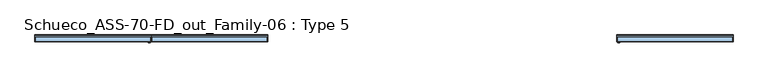
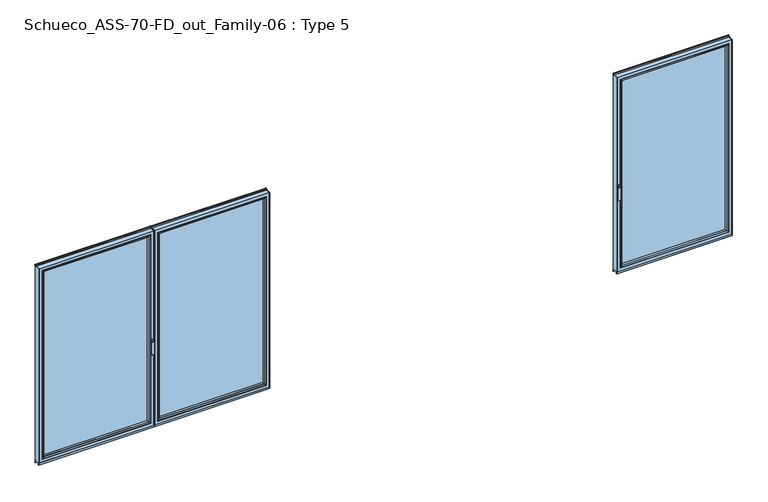
"""IFC4 building model written with IfcOpenShell, lengths in millimetres: window geometry, Schueco_ASS-70-FD_out_Family-06 : Type 5."""

from ifc_helpers import new_model, si_unit, point, frame, frame_2d, origin, place, context, project, spatial, polyline, circle_curve, ellipse_curve, trimmed, segment, composite_curve, outline, extrude, source, transform, mapped, element, save
from ifc_brep_helpers import plane_surface, cylinder_surface, extruded_surface, advanced_brep


def schueco_ass_70_fd_out_family_06_type_5_18db7b8b(model_context):
    return source(origin(), model_context, "Body", "SolidModel", [
        advanced_brep(
        [(-2579.8552975, -73.5, 1050.0), (-2555.8780359, -73.5, 1050.0), (-2555.8780359, -76.8965533, 1050.0), (-2579.8552975, -76.8965533, 1050.0), (-2579.8552975, -84.5, 1050.0), (-2579.8552975, -84.5, 918.6867153), (-2555.8780359, -84.5, 918.6867153), (-2555.8780359, -84.5, 1050.0), (-2555.8780359, -76.8965533, 918.6867153), (-2579.8552975, -76.8965533, 918.6867153)],
        [
            (0, 1, circle_curve(frame((-2567.8666667, -73.5, 1050.0), z_axis=(0.0, 1.0, 0.0), x_axis=(1.0, 0.0, 0.0)), 11.9886308)),
            (1, 0, circle_curve(frame((-2567.8666667, -73.5, 1050.0), z_axis=(0.0, 1.0, 0.0), x_axis=(1.0, 0.0, 0.0)), 11.9886308)),
            (1, 2),
            (2, 3, circle_curve(frame((-2567.8666667, -76.8965533, 1050.0), z_axis=(0.0, 1.0, 0.0), x_axis=(1.0, 0.0, 0.0)), 11.9886308)),
            (3, 0),
            (3, 2, circle_curve(frame((-2567.8666667, -76.8965533, 1050.0), z_axis=(0.0, 1.0, 0.0), x_axis=(1.0, 0.0, 0.0)), 11.9886308)),
            (4, 5),
            (5, 6, ellipse_curve(frame((-2567.8666667, -84.5, 918.6867153), z_axis=(0.0, -1.0, 0.0), x_axis=(-1.0, 0.0, 0.0)), 11.9886308, 7.9050795)),
            (6, 7),
            (7, 4, circle_curve(frame((-2567.8666667, -84.5, 1050.0), z_axis=(0.0, -1.0, 0.0), x_axis=(1.0, 0.0, 0.0)), 11.9886308)),
            (2, 8),
            (8, 9, ellipse_curve(frame((-2567.8666667, -76.8965533, 918.6867153), z_axis=(0.0, 1.0, 0.0), x_axis=(-1.0, 0.0, 0.0)), 11.9886308, 7.9050795)),
            (9, 3),
            (4, 3),
            (9, 5),
            (8, 6),
            (2, 7),
        ],
        [
            plane_surface(frame((-2555.8780359, -73.5, 1050.0), z_axis=(0.0, 1.0, 0.0), x_axis=(0.0, 0.0, -1.0))),
            cylinder_surface(frame((-2567.8666667, -73.5, 1050.0), z_axis=(0.0, -1.0, 0.0), x_axis=(1.0, 0.0, 0.0)), 11.9886308),
            plane_surface(frame((-2579.8552975, -84.5, 928.3382074), z_axis=(0.0, -1.0, 0.0), x_axis=(0.0, 0.0, -1.0))),
            plane_surface(frame((-2579.8552975, -76.8965533, 928.3382074), z_axis=(0.0, 1.0, 0.0), x_axis=(0.0, 0.0, 1.0))),
            plane_surface(frame((-2579.8552975, -84.5, 1050.0), z_axis=(-1.0, 0.0, 0.0), x_axis=(0.0, 1.0, 0.0))),
            extruded_surface(trimmed(ellipse_curve(frame((-2567.8666667, -69.2931066, 918.6867153), z_axis=(0.0, -1.0, 0.0), x_axis=(-1.0, 0.0, 0.0)), 11.9886308, 7.9050795), [point((-2579.8552975, -69.2931066, 918.6867153))], [point((-2555.8780359, -69.2931066, 918.6867153))], True, "CARTESIAN"), (0.0, -7.603446699999992, 0.0), 7.603446699999992),
            plane_surface(frame((-2555.8780359, -84.5, 918.6867153), z_axis=(1.0, 0.0, 0.0), x_axis=(0.0, 1.0, 0.0))),
            cylinder_surface(frame((-2567.8666667, -76.8965533, 1050.0), z_axis=(0.0, -1.0, 0.0), x_axis=(1.0, 0.0, 0.0)), 11.9886308),
        ],
        [
            (0, [[1, 2]]),
            (1, [[-2, 3, 4, 5]]),
            (1, [[-1, -5, 6, -3]]),
            (2, [[7, 8, 9, 10]]),
            (3, [[11, 12, 13, -4]]),
            (4, [[-7, 14, -13, 15]]),
            (5, [[-8, -15, -12, 16]]),
            (6, [[-9, -16, -11, 17]]),
            (7, [[-10, -17, -6, -14]]),
        ],
    ),
        extrude(outline(composite_curve([segment(polyline([(1068.75, -2581.8666667), (1031.25, -2581.8666667)]), True, "CONTINUOUS"), segment(trimmed(circle_curve(frame_2d((1031.25, -2567.8666667)), 14.0), [point((1031.25, -2581.8666667))], [point((1031.25, -2553.8666667))], False, "CARTESIAN"), True, "CONTINUOUS"), segment(polyline([(1031.25, -2553.8666667), (1068.75, -2553.8666667)]), True, "CONTINUOUS"), segment(trimmed(circle_curve(frame_2d((1068.75, -2567.8666667)), 14.0), [point((1068.75, -2553.8666667))], [point((1068.75, -2581.8666667))], False, "CARTESIAN"), True, "CONTINUOUS")], self_intersect=False)), frame((0.0, -73.5, 0.0), z_axis=(0.0, 1.0, 0.0), x_axis=(0.0, 0.0, 1.0)), (0.0, 0.0, 1.0), 3.5),
        extrude(outline(polyline([(-3818.8, 0.0), (-3812.8, 0.0), (-3812.8, -70.0), (-3818.8, -70.0), (-3818.8, 0.0)])), frame((0.0, 0.0, 75.0), z_axis=(0.0, 0.0, 1.0), x_axis=(1.0, 0.0, 0.0)), (0.0, 0.0, 1.0), 2262.0),
        extrude(outline(polyline([(-2545.8666667, 0.0), (-2545.8666667, -70.0), (-2551.8666667, -70.0), (-2551.8666667, 0.0), (-2545.8666667, 0.0)])), frame((0.0, 0.0, 75.0), z_axis=(0.0, 0.0, 1.0), x_axis=(1.0, 0.0, 0.0)), (0.0, 0.0, 1.0), 2262.0),
        extrude(outline(polyline([(-3780.8, -13.999939), (-2583.8666667, -13.999939), (-2583.8666667, -37.9928974), (-3780.8, -37.9928974), (-3780.8, -13.999939)])), frame((0.0, 0.0, 107.0), z_axis=(0.0, 0.0, 1.0), x_axis=(1.0, 0.0, 0.0)), (0.0, 0.0, 1.0), 2198.0),
        advanced_brep(
        [(-2605.8662394, -64.5552044, 2283.0004272), (-2605.8662394, -37.9928974, 2283.0004272), (-2605.8662394, -37.9928974, 128.9995728), (-2605.8662394, -64.5552044, 128.9995728), (-2583.8666667, -37.9928974, 2305.0), (-2583.8666667, -37.9928974, 107.0), (-3780.8, -37.9928974, 107.0), (-3780.8, -37.9928974, 2305.0), (-3758.8004272, -37.9928974, 2283.0004272), (-3758.8004272, -37.9928974, 128.9995728), (-3758.8004272, -64.5552044, 128.9995728), (-2605.156696, -65.8045072, 2283.7099707), (-2605.156696, -65.8045072, 128.2900293), (-3759.5099707, -65.8045072, 128.2900293), (-2589.8666056, -70.0, 2299.000061), (-2589.8666056, -70.0, 112.999939), (-3774.800061, -70.0, 112.999939), (-3780.8, -70.0, 2305.0), (-3780.8, -70.0, 107.0), (-2583.8666667, -70.0, 107.0), (-2583.8666667, -70.0, 2305.0), (-3774.800061, -70.0, 2299.000061), (-3758.8004272, -64.5552044, 2283.0004272), (-3759.5099707, -65.8045072, 2283.7099707)],
        [
            (0, 1),
            (1, 2),
            (2, 3),
            (3, 0),
            (4, 5),
            (5, 6),
            (6, 7),
            (7, 4),
            (8, 9),
            (9, 2),
            (1, 8),
            (9, 10),
            (10, 3),
            (11, 0, ellipse_curve(frame((-2604.4116355, -64.5552044, 2284.4550312), z_axis=(0.7071067811865475, 0.0, -0.7071067811865475), x_axis=(0.7071067811865474, 0.0, 0.7071067811865476)), 2.0571207, 1.454604)),
            (3, 12, ellipse_curve(frame((-2604.4116355, -64.5552044, 127.5449688), z_axis=(0.7071067811865475, 0.0, 0.7071067811865475), x_axis=(-0.7071067811865474, 0.0, 0.7071067811865476)), 2.0571207, 1.454604)),
            (12, 11),
            (10, 13, ellipse_curve(frame((-3760.2550312, -64.5552044, 127.5449688), z_axis=(0.7071067811865475, 0.0, -0.7071067811865475), x_axis=(0.7071067811865476, 0.0, 0.7071067811865474)), 2.0571207, 1.454604)),
            (13, 12),
            (14, 11, ellipse_curve(frame((-2589.9305412, -40.2735922, 2298.9361254), z_axis=(0.7071067811865475, 0.0, -0.7071067811865475), x_axis=(0.7071067811865474, 0.0, 0.7071067811865476)), 42.0395863, 29.7264765)),
            (12, 15, ellipse_curve(frame((-2589.9305412, -40.2735922, 113.0638746), z_axis=(0.7071067811865475, 0.0, 0.7071067811865475), x_axis=(-0.7071067811865474, 0.0, 0.7071067811865476)), 42.0395863, 29.7264765)),
            (15, 14),
            (13, 16, ellipse_curve(frame((-3774.7361254, -40.2735922, 113.0638746), z_axis=(0.7071067811865475, 0.0, -0.7071067811865475), x_axis=(0.7071067811865476, 0.0, 0.7071067811865474)), 42.0395863, 29.7264765)),
            (16, 15),
            (17, 18),
            (18, 19),
            (19, 20),
            (20, 17),
            (16, 21),
            (21, 14),
            (4, 20),
            (19, 5),
            (18, 6),
            (8, 22),
            (22, 10),
            (22, 23, ellipse_curve(frame((-3760.2550312, -64.5552044, 2284.4550312), z_axis=(-0.7071067811865475, 0.0, -0.7071067811865475), x_axis=(0.7071067811865474, 0.0, -0.7071067811865476)), 2.0571207, 1.454604)),
            (23, 13),
            (23, 21, ellipse_curve(frame((-3774.7361254, -40.2735922, 2298.9361254), z_axis=(-0.7071067811865475, 0.0, -0.7071067811865475), x_axis=(0.7071067811865474, 0.0, -0.7071067811865476)), 42.0395863, 29.7264765)),
            (17, 7),
            (0, 22),
            (11, 23),
        ],
        [
            plane_surface(frame((-2605.8662394, -37.9928974, 2283.0004272), z_axis=(-1.0, 0.0, 0.0), x_axis=(0.0, 0.0, -1.0))),
            plane_surface(frame((-3780.8, -37.9928974, 107.0), z_axis=(0.0, 1.0, 0.0), x_axis=(0.0, 0.0, 1.0))),
            plane_surface(frame((-2605.8662394, -37.9928974, 128.9995728), z_axis=(0.0, 0.0, 1.0), x_axis=(-1.0, 0.0, 0.0))),
            cylinder_surface(frame((-2604.4116355, -64.5552044, 2283.0004272), z_axis=(0.0, 0.0, 1.0), x_axis=(1.0, 0.0, 0.0)), 1.454604),
            cylinder_surface(frame((-2605.8662394, -64.5552044, 127.5449688), z_axis=(1.0, 0.0, 0.0), x_axis=(0.0, 0.0, -1.0)), 1.454604),
            cylinder_surface(frame((-2589.9305412, -40.2735922, 2283.0004272), z_axis=(0.0, 0.0, 1.0), x_axis=(1.0, 0.0, 0.0)), 29.7264765),
            cylinder_surface(frame((-2605.8662394, -40.2735922, 113.0638746), z_axis=(1.0, 0.0, 0.0), x_axis=(0.0, 0.0, -1.0)), 29.7264765),
            plane_surface(frame((-3774.800061, -70.0, 112.999939), z_axis=(0.0, -1.0, 0.0), x_axis=(0.0, 0.0, 1.0))),
            plane_surface(frame((-2583.8666667, -70.0, 2305.0), z_axis=(1.0, 0.0, 0.0), x_axis=(0.0, 0.0, -1.0))),
            plane_surface(frame((-2583.8666667, -70.0, 107.0), z_axis=(0.0, 0.0, -1.0), x_axis=(-1.0, 0.0, 0.0))),
            plane_surface(frame((-3758.8004272, -37.9928974, 128.9995728), z_axis=(1.0, 0.0, 0.0), x_axis=(0.0, 0.0, 1.0))),
            cylinder_surface(frame((-3760.2550312, -64.5552044, 128.9995728), z_axis=(0.0, 0.0, -1.0), x_axis=(-1.0, 0.0, 0.0)), 1.454604),
            cylinder_surface(frame((-3774.7361254, -40.2735922, 128.9995728), z_axis=(0.0, 0.0, -1.0), x_axis=(-1.0, 0.0, 0.0)), 29.7264765),
            plane_surface(frame((-3780.8, -70.0, 107.0), z_axis=(-1.0, 0.0, 0.0), x_axis=(0.0, 0.0, 1.0))),
            plane_surface(frame((-3758.8004272, -37.9928974, 2283.0004272), z_axis=(0.0, 0.0, -1.0), x_axis=(1.0, 0.0, 0.0))),
            cylinder_surface(frame((-3758.8004272, -64.5552044, 2284.4550312), z_axis=(-1.0, 0.0, 0.0), x_axis=(0.0, 0.0, 1.0)), 1.454604),
            cylinder_surface(frame((-3758.8004272, -40.2735922, 2298.9361254), z_axis=(-1.0, 0.0, 0.0), x_axis=(0.0, 0.0, 1.0)), 29.7264765),
            plane_surface(frame((-3780.8, -70.0, 2305.0), z_axis=(0.0, 0.0, 1.0), x_axis=(1.0, 0.0, 0.0))),
        ],
        [
            (0, [[1, 2, 3, 4]]),
            (1, [[5, 6, 7, 8], [9, 10, -2, 11]]),
            (2, [[-3, -10, 12, 13]]),
            (3, [[14, -4, 15, 16]]),
            (4, [[-15, -13, 17, 18]]),
            (5, [[19, -16, 20, 21]]),
            (6, [[-20, -18, 22, 23]]),
            (7, [[24, 25, 26, 27], [-21, -23, 28, 29]]),
            (8, [[30, -26, 31, -5]]),
            (9, [[-31, -25, 32, -6]]),
            (10, [[-12, -9, 33, 34]]),
            (11, [[-17, -34, 35, 36]]),
            (12, [[-22, -36, 37, -28]]),
            (13, [[-32, -24, 38, -7]]),
            (14, [[-33, -11, -1, 39]]),
            (15, [[-35, -39, -14, 40]]),
            (16, [[-37, -40, -19, -29]]),
            (17, [[-38, -27, -30, -8]]),
        ],
    ),
        advanced_brep(
        [(-3812.8, -70.0, 2337.0), (-3812.8, 0.0, 2337.0), (-3812.8, 0.0, 75.0), (-3812.8, -70.0, 75.0), (-2551.8666667, 0.0, 75.0), (-2551.8666667, -70.0, 75.0), (-2551.8666667, 0.0, 2337.0), (-2601.3658567, 0.0, 124.4991901), (-2601.3658567, 0.0, 2287.5008099), (-3763.3008099, 0.0, 2287.5008099), (-3763.3008099, 0.0, 124.4991901), (-2551.8666667, -70.0, 2337.0), (-3780.8, -70.0, 107.0), (-3780.8, -70.0, 2305.0), (-2583.8666667, -70.0, 2305.0), (-2583.8666667, -70.0, 107.0), (-3780.8, -13.999939, 2305.0), (-3780.8, -13.999939, 107.0), (-2583.8666667, -13.999939, 107.0), (-2583.8666667, -13.999939, 2305.0), (-3758.8004272, -13.999939, 128.9995728), (-3758.8004272, -13.999939, 2283.0004272), (-2605.8662394, -13.999939, 2283.0004272), (-2605.8662394, -13.999939, 128.9995728), (-3758.8004272, -4.5004435, 2283.0004272), (-3758.8004272, -4.5004435, 128.9995728), (-2605.8662394, -4.5004435, 128.9995728), (-2605.8662394, -4.5004435, 2283.0004272)],
        [
            (0, 1),
            (1, 2),
            (2, 3),
            (3, 0),
            (2, 4),
            (4, 5),
            (5, 3),
            (1, 6),
            (6, 4),
            (7, 8),
            (8, 9),
            (9, 10),
            (10, 7),
            (6, 11),
            (11, 5),
            (11, 0),
            (12, 13),
            (13, 14),
            (14, 15),
            (15, 12),
            (16, 13),
            (12, 17),
            (17, 16),
            (15, 18),
            (18, 17),
            (14, 19),
            (19, 18),
            (19, 16),
            (20, 21),
            (21, 22),
            (22, 23),
            (23, 20),
            (24, 21),
            (20, 25),
            (25, 24),
            (23, 26),
            (26, 25),
            (22, 27),
            (27, 26),
            (10, 25, ellipse_curve(frame((-3763.3008099, -4.5004435, 124.4991901), z_axis=(0.7071067811865475, 0.0, -0.7071067811865475), x_axis=(-0.7071067811865476, 0.0, -0.7071067811865474)), 6.3645023, 4.5003827)),
            (26, 7, ellipse_curve(frame((-2601.3658567, -4.5004435, 124.4991901), z_axis=(-0.7071067811865475, 0.0, -0.7071067811865475), x_axis=(-0.7071067811865476, 0.0, 0.7071067811865474)), 6.3645023, 4.5003827)),
            (9, 24, ellipse_curve(frame((-3763.3008099, -4.5004435, 2287.5008099), z_axis=(-0.7071067811865475, 0.0, -0.7071067811865475), x_axis=(-0.7071067811865474, 0.0, 0.7071067811865476)), 6.3645023, 4.5003827)),
            (27, 8, ellipse_curve(frame((-2601.3658567, -4.5004435, 2287.5008099), z_axis=(0.7071067811865475, 0.0, -0.7071067811865475), x_axis=(-0.7071067811865474, 0.0, -0.7071067811865476)), 6.3645023, 4.5003827)),
            (24, 27),
        ],
        [
            plane_surface(frame((-3812.8, 0.0, 2337.0), z_axis=(-1.0, 0.0, 0.0), x_axis=(0.0, 0.0, -1.0))),
            plane_surface(frame((-3812.8, 0.0, 75.0), z_axis=(0.0, 0.0, -1.0), x_axis=(1.0, 0.0, 0.0))),
            plane_surface(frame((-3763.3008099, 0.0, 2287.5008099), z_axis=(0.0, 1.0, 0.0), x_axis=(0.0, 0.0, -1.0))),
            plane_surface(frame((-2551.8666667, 0.0, 75.0), z_axis=(1.0, 0.0, 0.0), x_axis=(0.0, 0.0, 1.0))),
            plane_surface(frame((-3812.8, -70.0, 2337.0), z_axis=(0.0, -1.0, 0.0), x_axis=(0.0, 0.0, -1.0))),
            plane_surface(frame((-3780.8, -70.0, 2305.0), z_axis=(1.0, 0.0, 0.0), x_axis=(0.0, 0.0, -1.0))),
            plane_surface(frame((-3780.8, -70.0, 107.0), z_axis=(0.0, 0.0, 1.0), x_axis=(1.0, 0.0, 0.0))),
            plane_surface(frame((-2583.8666667, -70.0, 107.0), z_axis=(-1.0, 0.0, 0.0), x_axis=(0.0, 0.0, 1.0))),
            plane_surface(frame((-3780.8, -13.999939, 2305.0), z_axis=(0.0, -1.0, 0.0), x_axis=(0.0, 0.0, -1.0))),
            plane_surface(frame((-3758.8004272, -13.999939, 2283.0004272), z_axis=(1.0, 0.0, 0.0), x_axis=(0.0, 0.0, -1.0))),
            plane_surface(frame((-3758.8004272, -13.999939, 128.9995728), z_axis=(0.0, 0.0, 1.0), x_axis=(1.0, 0.0, 0.0))),
            plane_surface(frame((-2605.8662394, -13.999939, 128.9995728), z_axis=(-1.0, 0.0, 0.0), x_axis=(0.0, 0.0, 1.0))),
            cylinder_surface(frame((-3818.8, -4.5004435, 124.4991901), z_axis=(-1.0, 0.0, 0.0), x_axis=(0.0, -1.0, 0.0)), 4.5003827),
            cylinder_surface(frame((-3763.3008099, -4.5004435, 2343.0), z_axis=(0.0, 0.0, 1.0), x_axis=(0.0, -1.0, 0.0)), 4.5003827),
            cylinder_surface(frame((-2601.3658567, -4.5004435, 69.0), z_axis=(0.0, 0.0, -1.0), x_axis=(0.0, -1.0, 0.0)), 4.5003827),
            plane_surface(frame((-2551.8666667, 0.0, 2337.0), z_axis=(0.0, 0.0, 1.0), x_axis=(-1.0, 0.0, 0.0))),
            plane_surface(frame((-2583.8666667, -70.0, 2305.0), z_axis=(0.0, 0.0, -1.0), x_axis=(-1.0, 0.0, 0.0))),
            plane_surface(frame((-2605.8662394, -13.999939, 2283.0004272), z_axis=(0.0, 0.0, -1.0), x_axis=(-1.0, 0.0, 0.0))),
            cylinder_surface(frame((-2545.8666667, -4.5004435, 2287.5008099), z_axis=(1.0, 0.0, 0.0), x_axis=(0.0, -1.0, 0.0)), 4.5003827),
        ],
        [
            (0, [[1, 2, 3, 4]]),
            (1, [[-3, 5, 6, 7]]),
            (2, [[-2, 8, 9, -5], [10, 11, 12, 13]]),
            (3, [[-6, -9, 14, 15]]),
            (4, [[-15, 16, -4, -7], [17, 18, 19, 20]]),
            (5, [[21, -17, 22, 23]]),
            (6, [[-22, -20, 24, 25]]),
            (7, [[-24, -19, 26, 27]]),
            (8, [[-27, 28, -23, -25], [29, 30, 31, 32]]),
            (9, [[33, -29, 34, 35]]),
            (10, [[-34, -32, 36, 37]]),
            (11, [[-36, -31, 38, 39]]),
            (12, [[40, -37, 41, -13]]),
            (13, [[42, -35, -40, -12]]),
            (14, [[-41, -39, 43, -10]]),
            (15, [[-14, -8, -1, -16]]),
            (16, [[-26, -18, -21, -28]]),
            (17, [[-38, -30, -33, 44]]),
            (18, [[-43, -44, -42, -11]]),
        ],
    ),
        extrude(outline(polyline([(-3818.8, -70.0), (-3818.8, -62.3999924), (-2545.8666667, -62.3999924), (-2545.8666667, -70.0), (-3818.8, -70.0)])), frame((0.0, 0.0, 52.9995117), z_axis=(0.0, 0.0, 1.0), x_axis=(1.0, 0.0, 0.0)), (0.0, 0.0, 1.0), 22.0004883),
        extrude(outline(composite_curve([segment(polyline([(0.0, 45.0), (-7.7242502, 45.0), (-7.7242502, 75.0), (0.0, 75.0), (0.0, 52.4754501), (1.8566157, 46.0621453)]), True, "CONTINUOUS"), segment(trimmed(circle_curve(frame_2d((-0.0645022, 45.5059925)), 2.0), [point((1.8566157, 46.0621453))], [point((1.8670103, 44.9870904))], False, "CARTESIAN"), True, "CONTINUOUS"), segment(polyline([(1.8670103, 44.9870904), (0.8737, 41.2896854), (0.0, 41.2896854), (0.0, 45.0)]), True, "CONTINUOUS")], self_intersect=False)), frame((-3818.8, 0.0, 0.0), z_axis=(1.0, 0.0, 0.0), x_axis=(0.0, 1.0, 0.0)), (0.0, 0.0, 1.0), 1272.9333333),
        extrude(outline(composite_curve([segment(polyline([(-17.955674, 2339.1400778), (-1.3636404, 2339.1400778), (0.0, 2342.963961), (0.0, 2348.6420698), (0.8937897, 2348.6420698), (1.8738669, 2344.9939222)]), True, "CONTINUOUS"), segment(trimmed(circle_curve(frame_2d((-0.0576456, 2344.4750201)), 2.0), [point((1.8738669, 2344.9939222))], [point((1.8735116, 2343.9547971))], False, "CARTESIAN"), True, "CONTINUOUS"), segment(polyline([(1.8735116, 2343.9547971), (0.0, 2337.0), (-17.955674, 2337.0), (-17.955674, 2339.1400778)]), True, "CONTINUOUS")], self_intersect=False)), frame((-3818.8, 0.0, 0.0), z_axis=(1.0, 0.0, 0.0), x_axis=(0.0, 1.0, 0.0)), (0.0, 0.0, 1.0), 1272.9333333),
        extrude(outline(polyline([(-1272.9333333, 0.0), (-1272.9333333, -70.0), (-1278.9333333, -70.0), (-1278.9333333, 0.0), (-1272.9333333, 0.0)])), frame((0.0, 0.0, 75.0), z_axis=(0.0, 0.0, 1.0), x_axis=(1.0, 0.0, 0.0)), (0.0, 0.0, 1.0), 2262.0),
        extrude(outline(polyline([(-2545.8666667, 0.0), (-2539.8666667, 0.0), (-2539.8666667, -70.0), (-2545.8666667, -70.0), (-2545.8666667, 0.0)])), frame((0.0, 0.0, 75.0), z_axis=(0.0, 0.0, 1.0), x_axis=(1.0, 0.0, 0.0)), (0.0, 0.0, 1.0), 2262.0),
        extrude(outline(polyline([(-1310.9333333, -13.999939), (-1310.9333333, -37.9928974), (-2507.8666667, -37.9928974), (-2507.8666667, -13.999939), (-1310.9333333, -13.999939)])), frame((0.0, 0.0, 107.0), z_axis=(0.0, 0.0, 1.0), x_axis=(1.0, 0.0, 0.0)), (0.0, 0.0, 1.0), 2198.0),
        advanced_brep(
        [(-2485.8670939, -64.5552044, 2283.0004272), (-2485.8670939, -64.5552044, 128.9995728), (-2485.8670939, -37.9928974, 128.9995728), (-2485.8670939, -37.9928974, 2283.0004272), (-2507.8666667, -37.9928974, 2305.0), (-1310.9333333, -37.9928974, 2305.0), (-1310.9333333, -37.9928974, 107.0), (-2507.8666667, -37.9928974, 107.0), (-1332.9329061, -37.9928974, 2283.0004272), (-1332.9329061, -37.9928974, 128.9995728), (-1332.9329061, -64.5552044, 128.9995728), (-2486.5766373, -65.8045072, 2283.7099707), (-2486.5766373, -65.8045072, 128.2900293), (-1332.2233627, -65.8045072, 128.2900293), (-2501.8667277, -70.0, 2299.000061), (-2501.8667277, -70.0, 112.999939), (-1316.9332723, -70.0, 112.999939), (-1310.9333333, -70.0, 2305.0), (-2507.8666667, -70.0, 2305.0), (-2507.8666667, -70.0, 107.0), (-1310.9333333, -70.0, 107.0), (-1316.9332723, -70.0, 2299.000061), (-1332.9329061, -64.5552044, 2283.0004272), (-1332.2233627, -65.8045072, 2283.7099707)],
        [
            (0, 1),
            (1, 2),
            (2, 3),
            (3, 0),
            (4, 5),
            (5, 6),
            (6, 7),
            (7, 4),
            (8, 3),
            (2, 9),
            (9, 8),
            (1, 10),
            (10, 9),
            (11, 12),
            (12, 1, ellipse_curve(frame((-2487.3216979, -64.5552044, 127.5449688), z_axis=(-0.7071067811865475, 0.0, 0.7071067811865475), x_axis=(0.7071067811865474, 0.0, 0.7071067811865476)), 2.0571207, 1.454604)),
            (0, 11, ellipse_curve(frame((-2487.3216979, -64.5552044, 2284.4550312), z_axis=(-0.7071067811865475, 0.0, -0.7071067811865475), x_axis=(-0.7071067811865474, 0.0, 0.7071067811865476)), 2.0571207, 1.454604)),
            (12, 13),
            (13, 10, ellipse_curve(frame((-1331.4783021, -64.5552044, 127.5449688), z_axis=(-0.7071067811865475, 0.0, -0.7071067811865475), x_axis=(-0.7071067811865476, 0.0, 0.7071067811865474)), 2.0571207, 1.454604)),
            (14, 15),
            (15, 12, ellipse_curve(frame((-2501.8027921, -40.2735922, 113.0638746), z_axis=(-0.7071067811865475, 0.0, 0.7071067811865475), x_axis=(0.7071067811865474, 0.0, 0.7071067811865476)), 42.0395863, 29.7264765)),
            (11, 14, ellipse_curve(frame((-2501.8027921, -40.2735922, 2298.9361254), z_axis=(-0.7071067811865475, 0.0, -0.7071067811865475), x_axis=(-0.7071067811865474, 0.0, 0.7071067811865476)), 42.0395863, 29.7264765)),
            (15, 16),
            (16, 13, ellipse_curve(frame((-1316.9972079, -40.2735922, 113.0638746), z_axis=(-0.7071067811865475, 0.0, -0.7071067811865475), x_axis=(-0.7071067811865476, 0.0, 0.7071067811865474)), 42.0395863, 29.7264765)),
            (17, 18),
            (18, 19),
            (19, 20),
            (20, 17),
            (14, 21),
            (21, 16),
            (7, 19),
            (18, 4),
            (6, 20),
            (10, 22),
            (22, 8),
            (13, 23),
            (23, 22, ellipse_curve(frame((-1331.4783021, -64.5552044, 2284.4550312), z_axis=(0.7071067811865475, 0.0, -0.7071067811865475), x_axis=(-0.7071067811865474, 0.0, -0.7071067811865476)), 2.0571207, 1.454604)),
            (21, 23, ellipse_curve(frame((-1316.9972079, -40.2735922, 2298.9361254), z_axis=(0.7071067811865475, 0.0, -0.7071067811865475), x_axis=(-0.7071067811865474, 0.0, -0.7071067811865476)), 42.0395863, 29.7264765)),
            (5, 17),
            (22, 0),
            (23, 11),
        ],
        [
            plane_surface(frame((-2485.8670939, -37.9928974, 2283.0004272), z_axis=(1.0, 0.0, 0.0), x_axis=(0.0, 0.0, -1.0))),
            plane_surface(frame((-1310.9333333, -37.9928974, 107.0), z_axis=(0.0, 1.0, 0.0), x_axis=(0.0, 0.0, 1.0))),
            plane_surface(frame((-2485.8670939, -37.9928974, 128.9995728), z_axis=(0.0, 0.0, 1.0), x_axis=(1.0, 0.0, 0.0))),
            cylinder_surface(frame((-2487.3216979, -64.5552044, 2283.0004272), z_axis=(0.0, 0.0, 1.0), x_axis=(-1.0, 0.0, 0.0)), 1.454604),
            cylinder_surface(frame((-2485.8670939, -64.5552044, 127.5449688), z_axis=(-1.0, 0.0, 0.0), x_axis=(0.0, 0.0, -1.0)), 1.454604),
            cylinder_surface(frame((-2501.8027921, -40.2735922, 2283.0004272), z_axis=(0.0, 0.0, 1.0), x_axis=(-1.0, 0.0, 0.0)), 29.7264765),
            cylinder_surface(frame((-2485.8670939, -40.2735922, 113.0638746), z_axis=(-1.0, 0.0, 0.0), x_axis=(0.0, 0.0, -1.0)), 29.7264765),
            plane_surface(frame((-1316.9332723, -70.0, 112.999939), z_axis=(0.0, -1.0, 0.0), x_axis=(0.0, 0.0, 1.0))),
            plane_surface(frame((-2507.8666667, -70.0, 2305.0), z_axis=(-1.0, 0.0, 0.0), x_axis=(0.0, 0.0, -1.0))),
            plane_surface(frame((-2507.8666667, -70.0, 107.0), z_axis=(0.0, 0.0, -1.0), x_axis=(1.0, 0.0, 0.0))),
            plane_surface(frame((-1332.9329061, -37.9928974, 128.9995728), z_axis=(-1.0, 0.0, 0.0), x_axis=(0.0, 0.0, 1.0))),
            cylinder_surface(frame((-1331.4783021, -64.5552044, 128.9995728), z_axis=(0.0, 0.0, -1.0), x_axis=(1.0, 0.0, 0.0)), 1.454604),
            cylinder_surface(frame((-1316.9972079, -40.2735922, 128.9995728), z_axis=(0.0, 0.0, -1.0), x_axis=(1.0, 0.0, 0.0)), 29.7264765),
            plane_surface(frame((-1310.9333333, -70.0, 107.0), z_axis=(1.0, 0.0, 0.0), x_axis=(0.0, 0.0, 1.0))),
            plane_surface(frame((-1332.9329061, -37.9928974, 2283.0004272), z_axis=(0.0, 0.0, -1.0), x_axis=(-1.0, 0.0, 0.0))),
            cylinder_surface(frame((-1332.9329061, -64.5552044, 2284.4550312), z_axis=(1.0, 0.0, 0.0), x_axis=(0.0, 0.0, 1.0)), 1.454604),
            cylinder_surface(frame((-1332.9329061, -40.2735922, 2298.9361254), z_axis=(1.0, 0.0, 0.0), x_axis=(0.0, 0.0, 1.0)), 29.7264765),
            plane_surface(frame((-1310.9333333, -70.0, 2305.0), z_axis=(0.0, 0.0, 1.0), x_axis=(-1.0, 0.0, 0.0))),
        ],
        [
            (0, [[1, 2, 3, 4]]),
            (1, [[5, 6, 7, 8], [9, -3, 10, 11]]),
            (2, [[12, 13, -10, -2]]),
            (3, [[14, 15, -1, 16]]),
            (4, [[17, 18, -12, -15]]),
            (5, [[19, 20, -14, 21]]),
            (6, [[22, 23, -17, -20]]),
            (7, [[24, 25, 26, 27], [28, 29, -22, -19]]),
            (8, [[-8, 30, -25, 31]]),
            (9, [[-7, 32, -26, -30]]),
            (10, [[33, 34, -11, -13]]),
            (11, [[35, 36, -33, -18]]),
            (12, [[-29, 37, -35, -23]]),
            (13, [[-6, 38, -27, -32]]),
            (14, [[39, -4, -9, -34]]),
            (15, [[40, -16, -39, -36]]),
            (16, [[-28, -21, -40, -37]]),
            (17, [[-5, -31, -24, -38]]),
        ],
    ),
        advanced_brep(
        [(-1278.9333333, -70.0, 2337.0), (-1278.9333333, -70.0, 75.0), (-1278.9333333, 0.0, 75.0), (-1278.9333333, 0.0, 2337.0), (-2539.8666667, -70.0, 75.0), (-2539.8666667, 0.0, 75.0), (-2539.8666667, 0.0, 2337.0), (-2490.3674766, 0.0, 124.4991901), (-1328.4325234, 0.0, 124.4991901), (-1328.4325234, 0.0, 2287.5008099), (-2490.3674766, 0.0, 2287.5008099), (-2539.8666667, -70.0, 2337.0), (-1310.9333333, -70.0, 107.0), (-2507.8666667, -70.0, 107.0), (-2507.8666667, -70.0, 2305.0), (-1310.9333333, -70.0, 2305.0), (-1310.9333333, -13.999939, 2305.0), (-1310.9333333, -13.999939, 107.0), (-2507.8666667, -13.999939, 107.0), (-2507.8666667, -13.999939, 2305.0), (-1332.9329061, -13.999939, 128.9995728), (-2485.8670939, -13.999939, 128.9995728), (-2485.8670939, -13.999939, 2283.0004272), (-1332.9329061, -13.999939, 2283.0004272), (-1332.9329061, -4.5004435, 2283.0004272), (-1332.9329061, -4.5004435, 128.9995728), (-2485.8670939, -4.5004435, 128.9995728), (-2485.8670939, -4.5004435, 2283.0004272)],
        [
            (0, 1),
            (1, 2),
            (2, 3),
            (3, 0),
            (1, 4),
            (4, 5),
            (5, 2),
            (5, 6),
            (6, 3),
            (7, 8),
            (8, 9),
            (9, 10),
            (10, 7),
            (4, 11),
            (11, 6),
            (0, 11),
            (12, 13),
            (13, 14),
            (14, 15),
            (15, 12),
            (16, 17),
            (17, 12),
            (15, 16),
            (17, 18),
            (18, 13),
            (18, 19),
            (19, 14),
            (16, 19),
            (20, 21),
            (21, 22),
            (22, 23),
            (23, 20),
            (24, 25),
            (25, 20),
            (23, 24),
            (25, 26),
            (26, 21),
            (26, 27),
            (27, 22),
            (7, 26, ellipse_curve(frame((-2490.3674766, -4.5004435, 124.4991901), z_axis=(0.7071067811865475, 0.0, -0.7071067811865475), x_axis=(0.7071067811865476, 0.0, 0.7071067811865474)), 6.3645023, 4.5003827)),
            (25, 8, ellipse_curve(frame((-1328.4325234, -4.5004435, 124.4991901), z_axis=(-0.7071067811865475, 0.0, -0.7071067811865475), x_axis=(0.7071067811865476, 0.0, -0.7071067811865474)), 6.3645023, 4.5003827)),
            (24, 9, ellipse_curve(frame((-1328.4325234, -4.5004435, 2287.5008099), z_axis=(0.7071067811865475, 0.0, -0.7071067811865475), x_axis=(0.7071067811865474, 0.0, 0.7071067811865476)), 6.3645023, 4.5003827)),
            (10, 27, ellipse_curve(frame((-2490.3674766, -4.5004435, 2287.5008099), z_axis=(-0.7071067811865475, 0.0, -0.7071067811865475), x_axis=(0.7071067811865474, 0.0, -0.7071067811865476)), 6.3645023, 4.5003827)),
            (27, 24),
        ],
        [
            plane_surface(frame((-1278.9333333, 0.0, 2337.0), z_axis=(1.0, 0.0, 0.0), x_axis=(0.0, 0.0, -1.0))),
            plane_surface(frame((-1278.9333333, 0.0, 75.0), z_axis=(0.0, 0.0, -1.0), x_axis=(-1.0, 0.0, 0.0))),
            plane_surface(frame((-1328.4325234, 0.0, 2287.5008099), z_axis=(0.0, 1.0, 0.0), x_axis=(0.0, 0.0, -1.0))),
            plane_surface(frame((-2539.8666667, 0.0, 75.0), z_axis=(-1.0, 0.0, 0.0), x_axis=(0.0, 0.0, 1.0))),
            plane_surface(frame((-1278.9333333, -70.0, 2337.0), z_axis=(0.0, -1.0, 0.0), x_axis=(0.0, 0.0, -1.0))),
            plane_surface(frame((-1310.9333333, -70.0, 2305.0), z_axis=(-1.0, 0.0, 0.0), x_axis=(0.0, 0.0, -1.0))),
            plane_surface(frame((-1310.9333333, -70.0, 107.0), z_axis=(0.0, 0.0, 1.0), x_axis=(-1.0, 0.0, 0.0))),
            plane_surface(frame((-2507.8666667, -70.0, 107.0), z_axis=(1.0, 0.0, 0.0), x_axis=(0.0, 0.0, 1.0))),
            plane_surface(frame((-1310.9333333, -13.999939, 2305.0), z_axis=(0.0, -1.0, 0.0), x_axis=(0.0, 0.0, -1.0))),
            plane_surface(frame((-1332.9329061, -13.999939, 2283.0004272), z_axis=(-1.0, 0.0, 0.0), x_axis=(0.0, 0.0, -1.0))),
            plane_surface(frame((-1332.9329061, -13.999939, 128.9995728), z_axis=(0.0, 0.0, 1.0), x_axis=(-1.0, 0.0, 0.0))),
            plane_surface(frame((-2485.8670939, -13.999939, 128.9995728), z_axis=(1.0, 0.0, 0.0), x_axis=(0.0, 0.0, 1.0))),
            cylinder_surface(frame((-1272.9333333, -4.5004435, 124.4991901), z_axis=(1.0, 0.0, 0.0), x_axis=(0.0, -1.0, 0.0)), 4.5003827),
            cylinder_surface(frame((-1328.4325234, -4.5004435, 2343.0), z_axis=(0.0, 0.0, 1.0), x_axis=(0.0, -1.0, 0.0)), 4.5003827),
            cylinder_surface(frame((-2490.3674766, -4.5004435, 69.0), z_axis=(0.0, 0.0, -1.0), x_axis=(0.0, -1.0, 0.0)), 4.5003827),
            plane_surface(frame((-2539.8666667, 0.0, 2337.0), z_axis=(0.0, 0.0, 1.0), x_axis=(1.0, 0.0, 0.0))),
            plane_surface(frame((-2507.8666667, -70.0, 2305.0), z_axis=(0.0, 0.0, -1.0), x_axis=(1.0, 0.0, 0.0))),
            plane_surface(frame((-2485.8670939, -13.999939, 2283.0004272), z_axis=(0.0, 0.0, -1.0), x_axis=(1.0, 0.0, 0.0))),
            cylinder_surface(frame((-2545.8666667, -4.5004435, 2287.5008099), z_axis=(-1.0, 0.0, 0.0), x_axis=(0.0, -1.0, 0.0)), 4.5003827),
        ],
        [
            (0, [[1, 2, 3, 4]]),
            (1, [[5, 6, 7, -2]]),
            (2, [[-7, 8, 9, -3], [10, 11, 12, 13]]),
            (3, [[14, 15, -8, -6]]),
            (4, [[-5, -1, 16, -14], [17, 18, 19, 20]]),
            (5, [[21, 22, -20, 23]]),
            (6, [[24, 25, -17, -22]]),
            (7, [[26, 27, -18, -25]]),
            (8, [[-24, -21, 28, -26], [29, 30, 31, 32]]),
            (9, [[33, 34, -32, 35]]),
            (10, [[36, 37, -29, -34]]),
            (11, [[38, 39, -30, -37]]),
            (12, [[-10, 40, -36, 41]]),
            (13, [[-11, -41, -33, 42]]),
            (14, [[-13, 43, -38, -40]]),
            (15, [[-16, -4, -9, -15]]),
            (16, [[-28, -23, -19, -27]]),
            (17, [[44, -35, -31, -39]]),
            (18, [[-12, -42, -44, -43]]),
        ],
    ),
        extrude(outline(polyline([(-1272.9333333, -70.0), (-2545.8666667, -70.0), (-2545.8666667, -62.3999924), (-1272.9333333, -62.3999924), (-1272.9333333, -70.0)])), frame((0.0, 0.0, 52.9995117), z_axis=(0.0, 0.0, 1.0), x_axis=(1.0, 0.0, 0.0)), (0.0, 0.0, 1.0), 22.0004883),
        extrude(outline(composite_curve([segment(polyline([(0.0, 45.0), (-7.7242502, 45.0), (-7.7242502, 75.0), (0.0, 75.0), (0.0, 52.4754501), (1.8566157, 46.0621453)]), True, "CONTINUOUS"), segment(trimmed(circle_curve(frame_2d((-0.0645022, 45.5059925)), 2.0), [point((1.8566157, 46.0621453))], [point((1.8670103, 44.9870904))], False, "CARTESIAN"), True, "CONTINUOUS"), segment(polyline([(1.8670103, 44.9870904), (0.8737, 41.2896854), (0.0, 41.2896854), (0.0, 45.0)]), True, "CONTINUOUS")], self_intersect=False)), frame((-2545.8666667, 0.0, 0.0), z_axis=(1.0, 0.0, 0.0), x_axis=(0.0, 1.0, 0.0)), (0.0, 0.0, 1.0), 1272.9333333),
        extrude(outline(composite_curve([segment(polyline([(-17.955674, 2339.1400778), (-1.3636404, 2339.1400778), (0.0, 2342.963961), (0.0, 2348.6420698), (0.8937897, 2348.6420698), (1.8738669, 2344.9939222)]), True, "CONTINUOUS"), segment(trimmed(circle_curve(frame_2d((-0.0576456, 2344.4750201)), 2.0), [point((1.8738669, 2344.9939222))], [point((1.8735116, 2343.9547971))], False, "CARTESIAN"), True, "CONTINUOUS"), segment(polyline([(1.8735116, 2343.9547971), (0.0, 2337.0), (-17.955674, 2337.0), (-17.955674, 2339.1400778)]), True, "CONTINUOUS")], self_intersect=False)), frame((-2545.8666667, 0.0, 0.0), z_axis=(1.0, 0.0, 0.0), x_axis=(0.0, 1.0, 0.0)), (0.0, 0.0, 1.0), 1272.9333333),
        advanced_brep(
        [(2579.8552975, -73.5, 1050.0), (2555.8780359, -73.5, 1050.0), (2579.8552975, -76.8965533, 1050.0), (2555.8780359, -76.8965533, 1050.0), (2579.8552975, -84.5, 1050.0), (2555.8780359, -84.5, 1050.0), (2555.8780359, -84.5, 918.6867153), (2579.8552975, -84.5, 918.6867153), (2579.8552975, -76.8965533, 918.6867153), (2555.8780359, -76.8965533, 918.6867153)],
        [
            (0, 1, circle_curve(frame((2567.8666667, -73.5, 1050.0), z_axis=(0.0, 1.0, 0.0), x_axis=(-1.0, 0.0, 0.0)), 11.9886308)),
            (1, 0, circle_curve(frame((2567.8666667, -73.5, 1050.0), z_axis=(0.0, 1.0, 0.0), x_axis=(-1.0, 0.0, 0.0)), 11.9886308)),
            (0, 2),
            (2, 3, circle_curve(frame((2567.8666667, -76.8965533, 1050.0), z_axis=(0.0, 1.0, 0.0), x_axis=(-1.0, 0.0, 0.0)), 11.9886308)),
            (3, 1),
            (3, 2, circle_curve(frame((2567.8666667, -76.8965533, 1050.0), z_axis=(0.0, 1.0, 0.0), x_axis=(-1.0, 0.0, 0.0)), 11.9886308)),
            (4, 5, circle_curve(frame((2567.8666667, -84.5, 1050.0), z_axis=(0.0, -1.0, 0.0), x_axis=(-1.0, 0.0, 0.0)), 11.9886308)),
            (5, 6),
            (6, 7, ellipse_curve(frame((2567.8666667, -84.5, 918.6867153), z_axis=(0.0, -1.0, 0.0), x_axis=(1.0, 0.0, 0.0)), 11.9886308, 7.9050795)),
            (7, 4),
            (2, 8),
            (8, 9, ellipse_curve(frame((2567.8666667, -76.8965533, 918.6867153), z_axis=(0.0, 1.0, 0.0), x_axis=(1.0, 0.0, 0.0)), 11.9886308, 7.9050795)),
            (9, 3),
            (7, 8),
            (2, 4),
            (6, 9),
            (5, 3),
        ],
        [
            plane_surface(frame((2555.8780359, -73.5, 1050.0), z_axis=(0.0, 1.0, 0.0), x_axis=(0.0, 0.0, -1.0))),
            cylinder_surface(frame((2567.8666667, -73.5, 1050.0), z_axis=(0.0, -1.0, 0.0), x_axis=(-1.0, 0.0, 0.0)), 11.9886308),
            plane_surface(frame((2579.8552975, -84.5, 928.3382074), z_axis=(0.0, -1.0, 0.0), x_axis=(0.0, 0.0, -1.0))),
            plane_surface(frame((2579.8552975, -76.8965533, 928.3382074), z_axis=(0.0, 1.0, 0.0), x_axis=(0.0, 0.0, 1.0))),
            plane_surface(frame((2579.8552975, -84.5, 1050.0), z_axis=(1.0, 0.0, 0.0), x_axis=(0.0, 1.0, 0.0))),
            extruded_surface(trimmed(ellipse_curve(frame((2567.8666667, -76.8965533, 918.6867153), z_axis=(0.0, 1.0, 0.0), x_axis=(1.0, 0.0, 0.0)), 11.9886308, 7.9050795), [point((2579.8552975, -76.8965533, 918.6867153))], [point((2555.8780359, -76.8965533, 918.6867153))], True, "CARTESIAN"), (0.0, 7.603446699999992, 0.0), 7.603446699999992),
            plane_surface(frame((2555.8780359, -84.5, 918.6867153), z_axis=(-1.0, 0.0, 0.0), x_axis=(0.0, 1.0, 0.0))),
            cylinder_surface(frame((2567.8666667, -76.8965533, 1050.0), z_axis=(0.0, -1.0, 0.0), x_axis=(-1.0, 0.0, 0.0)), 11.9886308),
        ],
        [
            (0, [[1, 2]]),
            (1, [[3, 4, 5, -1]]),
            (1, [[-5, 6, -3, -2]]),
            (2, [[7, 8, 9, 10]]),
            (3, [[-4, 11, 12, 13]]),
            (4, [[14, -11, 15, -10]]),
            (5, [[16, -12, -14, -9]]),
            (6, [[17, -13, -16, -8]]),
            (7, [[-15, -6, -17, -7]]),
        ],
    ),
        extrude(outline(composite_curve([segment(trimmed(circle_curve(frame_2d((1068.75, 2567.8666667)), 14.0), [point((1068.75, 2581.8666667))], [point((1068.75, 2553.8666667))], False, "CARTESIAN"), True, "CONTINUOUS"), segment(polyline([(1068.75, 2553.8666667), (1031.25, 2553.8666667)]), True, "CONTINUOUS"), segment(trimmed(circle_curve(frame_2d((1031.25, 2567.8666667)), 14.0), [point((1031.25, 2553.8666667))], [point((1031.25, 2581.8666667))], False, "CARTESIAN"), True, "CONTINUOUS"), segment(polyline([(1031.25, 2581.8666667), (1068.75, 2581.8666667)]), True, "CONTINUOUS")], self_intersect=False)), frame((0.0, -73.5, 0.0), z_axis=(0.0, 1.0, 0.0), x_axis=(0.0, 0.0, 1.0)), (0.0, 0.0, 1.0), 3.5),
        extrude(outline(polyline([(3818.8, 0.0), (3818.8, -70.0), (3812.8, -70.0), (3812.8, 0.0), (3818.8, 0.0)])), frame((0.0, 0.0, 75.0), z_axis=(0.0, 0.0, 1.0), x_axis=(1.0, 0.0, 0.0)), (0.0, 0.0, 1.0), 2262.0),
        extrude(outline(polyline([(2545.8666667, 0.0), (2551.8666667, 0.0), (2551.8666667, -70.0), (2545.8666667, -70.0), (2545.8666667, 0.0)])), frame((0.0, 0.0, 75.0), z_axis=(0.0, 0.0, 1.0), x_axis=(1.0, 0.0, 0.0)), (0.0, 0.0, 1.0), 2262.0),
        extrude(outline(polyline([(3780.8, -13.999939), (3780.8, -37.9928974), (2583.8666667, -37.9928974), (2583.8666667, -13.999939), (3780.8, -13.999939)])), frame((0.0, 0.0, 107.0), z_axis=(0.0, 0.0, 1.0), x_axis=(1.0, 0.0, 0.0)), (0.0, 0.0, 1.0), 2198.0),
        advanced_brep(
        [(2605.8662394, -64.5552044, 2283.0004272), (2605.8662394, -64.5552044, 128.9995728), (2605.8662394, -37.9928974, 128.9995728), (2605.8662394, -37.9928974, 2283.0004272), (2583.8666667, -37.9928974, 2305.0), (3780.8, -37.9928974, 2305.0), (3780.8, -37.9928974, 107.0), (2583.8666667, -37.9928974, 107.0), (3758.8004272, -37.9928974, 2283.0004272), (3758.8004272, -37.9928974, 128.9995728), (3758.8004272, -64.5552044, 128.9995728), (2605.156696, -65.8045072, 2283.7099707), (2605.156696, -65.8045072, 128.2900293), (3759.5099707, -65.8045072, 128.2900293), (2589.8666056, -70.0, 2299.000061), (2589.8666056, -70.0, 112.999939), (3774.800061, -70.0, 112.999939), (3780.8, -70.0, 2305.0), (2583.8666667, -70.0, 2305.0), (2583.8666667, -70.0, 107.0), (3780.8, -70.0, 107.0), (3774.800061, -70.0, 2299.000061), (3758.8004272, -64.5552044, 2283.0004272), (3759.5099707, -65.8045072, 2283.7099707)],
        [
            (0, 1),
            (1, 2),
            (2, 3),
            (3, 0),
            (4, 5),
            (5, 6),
            (6, 7),
            (7, 4),
            (8, 3),
            (2, 9),
            (9, 8),
            (1, 10),
            (10, 9),
            (11, 12),
            (12, 1, ellipse_curve(frame((2604.4116355, -64.5552044, 127.5449688), z_axis=(-0.7071067811865475, 0.0, 0.7071067811865475), x_axis=(0.7071067811865474, 0.0, 0.7071067811865476)), 2.0571207, 1.454604)),
            (0, 11, ellipse_curve(frame((2604.4116355, -64.5552044, 2284.4550312), z_axis=(-0.7071067811865475, 0.0, -0.7071067811865475), x_axis=(-0.7071067811865474, 0.0, 0.7071067811865476)), 2.0571207, 1.454604)),
            (12, 13),
            (13, 10, ellipse_curve(frame((3760.2550312, -64.5552044, 127.5449688), z_axis=(-0.7071067811865475, 0.0, -0.7071067811865475), x_axis=(-0.7071067811865476, 0.0, 0.7071067811865474)), 2.0571207, 1.454604)),
            (14, 15),
            (15, 12, ellipse_curve(frame((2589.9305412, -40.2735922, 113.0638746), z_axis=(-0.7071067811865475, 0.0, 0.7071067811865475), x_axis=(0.7071067811865474, 0.0, 0.7071067811865476)), 42.0395863, 29.7264765)),
            (11, 14, ellipse_curve(frame((2589.9305412, -40.2735922, 2298.9361254), z_axis=(-0.7071067811865475, 0.0, -0.7071067811865475), x_axis=(-0.7071067811865474, 0.0, 0.7071067811865476)), 42.0395863, 29.7264765)),
            (15, 16),
            (16, 13, ellipse_curve(frame((3774.7361254, -40.2735922, 113.0638746), z_axis=(-0.7071067811865475, 0.0, -0.7071067811865475), x_axis=(-0.7071067811865476, 0.0, 0.7071067811865474)), 42.0395863, 29.7264765)),
            (17, 18),
            (18, 19),
            (19, 20),
            (20, 17),
            (14, 21),
            (21, 16),
            (7, 19),
            (18, 4),
            (6, 20),
            (10, 22),
            (22, 8),
            (13, 23),
            (23, 22, ellipse_curve(frame((3760.2550312, -64.5552044, 2284.4550312), z_axis=(0.7071067811865475, 0.0, -0.7071067811865475), x_axis=(-0.7071067811865474, 0.0, -0.7071067811865476)), 2.0571207, 1.454604)),
            (21, 23, ellipse_curve(frame((3774.7361254, -40.2735922, 2298.9361254), z_axis=(0.7071067811865475, 0.0, -0.7071067811865475), x_axis=(-0.7071067811865474, 0.0, -0.7071067811865476)), 42.0395863, 29.7264765)),
            (5, 17),
            (22, 0),
            (23, 11),
        ],
        [
            plane_surface(frame((2605.8662394, -37.9928974, 2283.0004272), z_axis=(1.0, 0.0, 0.0), x_axis=(0.0, 0.0, -1.0))),
            plane_surface(frame((3780.8, -37.9928974, 107.0), z_axis=(0.0, 1.0, 0.0), x_axis=(0.0, 0.0, 1.0))),
            plane_surface(frame((2605.8662394, -37.9928974, 128.9995728), z_axis=(0.0, 0.0, 1.0), x_axis=(1.0, 0.0, 0.0))),
            cylinder_surface(frame((2604.4116355, -64.5552044, 2283.0004272), z_axis=(0.0, 0.0, 1.0), x_axis=(-1.0, 0.0, 0.0)), 1.454604),
            cylinder_surface(frame((2605.8662394, -64.5552044, 127.5449688), z_axis=(-1.0, 0.0, 0.0), x_axis=(0.0, 0.0, -1.0)), 1.454604),
            cylinder_surface(frame((2589.9305412, -40.2735922, 2283.0004272), z_axis=(0.0, 0.0, 1.0), x_axis=(-1.0, 0.0, 0.0)), 29.7264765),
            cylinder_surface(frame((2605.8662394, -40.2735922, 113.0638746), z_axis=(-1.0, 0.0, 0.0), x_axis=(0.0, 0.0, -1.0)), 29.7264765),
            plane_surface(frame((3774.800061, -70.0, 112.999939), z_axis=(0.0, -1.0, 0.0), x_axis=(0.0, 0.0, 1.0))),
            plane_surface(frame((2583.8666667, -70.0, 2305.0), z_axis=(-1.0, 0.0, 0.0), x_axis=(0.0, 0.0, -1.0))),
            plane_surface(frame((2583.8666667, -70.0, 107.0), z_axis=(0.0, 0.0, -1.0), x_axis=(1.0, 0.0, 0.0))),
            plane_surface(frame((3758.8004272, -37.9928974, 128.9995728), z_axis=(-1.0, 0.0, 0.0), x_axis=(0.0, 0.0, 1.0))),
            cylinder_surface(frame((3760.2550312, -64.5552044, 128.9995728), z_axis=(0.0, 0.0, -1.0), x_axis=(1.0, 0.0, 0.0)), 1.454604),
            cylinder_surface(frame((3774.7361254, -40.2735922, 128.9995728), z_axis=(0.0, 0.0, -1.0), x_axis=(1.0, 0.0, 0.0)), 29.7264765),
            plane_surface(frame((3780.8, -70.0, 107.0), z_axis=(1.0, 0.0, 0.0), x_axis=(0.0, 0.0, 1.0))),
            plane_surface(frame((3758.8004272, -37.9928974, 2283.0004272), z_axis=(0.0, 0.0, -1.0), x_axis=(-1.0, 0.0, 0.0))),
            cylinder_surface(frame((3758.8004272, -64.5552044, 2284.4550312), z_axis=(1.0, 0.0, 0.0), x_axis=(0.0, 0.0, 1.0)), 1.454604),
            cylinder_surface(frame((3758.8004272, -40.2735922, 2298.9361254), z_axis=(1.0, 0.0, 0.0), x_axis=(0.0, 0.0, 1.0)), 29.7264765),
            plane_surface(frame((3780.8, -70.0, 2305.0), z_axis=(0.0, 0.0, 1.0), x_axis=(-1.0, 0.0, 0.0))),
        ],
        [
            (0, [[1, 2, 3, 4]]),
            (1, [[5, 6, 7, 8], [9, -3, 10, 11]]),
            (2, [[12, 13, -10, -2]]),
            (3, [[14, 15, -1, 16]]),
            (4, [[17, 18, -12, -15]]),
            (5, [[19, 20, -14, 21]]),
            (6, [[22, 23, -17, -20]]),
            (7, [[24, 25, 26, 27], [28, 29, -22, -19]]),
            (8, [[-8, 30, -25, 31]]),
            (9, [[-7, 32, -26, -30]]),
            (10, [[33, 34, -11, -13]]),
            (11, [[35, 36, -33, -18]]),
            (12, [[-29, 37, -35, -23]]),
            (13, [[-6, 38, -27, -32]]),
            (14, [[39, -4, -9, -34]]),
            (15, [[40, -16, -39, -36]]),
            (16, [[-28, -21, -40, -37]]),
            (17, [[-5, -31, -24, -38]]),
        ],
    ),
        advanced_brep(
        [(3812.8, -70.0, 2337.0), (3812.8, -70.0, 75.0), (3812.8, 0.0, 75.0), (3812.8, 0.0, 2337.0), (2551.8666667, -70.0, 75.0), (2551.8666667, 0.0, 75.0), (2551.8666667, 0.0, 2337.0), (2601.3658567, 0.0, 124.4991901), (3763.3008099, 0.0, 124.4991901), (3763.3008099, 0.0, 2287.5008099), (2601.3658567, 0.0, 2287.5008099), (2551.8666667, -70.0, 2337.0), (3780.8, -70.0, 107.0), (2583.8666667, -70.0, 107.0), (2583.8666667, -70.0, 2305.0), (3780.8, -70.0, 2305.0), (3780.8, -13.999939, 2305.0), (3780.8, -13.999939, 107.0), (2583.8666667, -13.999939, 107.0), (2583.8666667, -13.999939, 2305.0), (3758.8004272, -13.999939, 128.9995728), (2605.8662394, -13.999939, 128.9995728), (2605.8662394, -13.999939, 2283.0004272), (3758.8004272, -13.999939, 2283.0004272), (3758.8004272, -4.5004435, 2283.0004272), (3758.8004272, -4.5004435, 128.9995728), (2605.8662394, -4.5004435, 128.9995728), (2605.8662394, -4.5004435, 2283.0004272)],
        [
            (0, 1),
            (1, 2),
            (2, 3),
            (3, 0),
            (1, 4),
            (4, 5),
            (5, 2),
            (5, 6),
            (6, 3),
            (7, 8),
            (8, 9),
            (9, 10),
            (10, 7),
            (4, 11),
            (11, 6),
            (0, 11),
            (12, 13),
            (13, 14),
            (14, 15),
            (15, 12),
            (16, 17),
            (17, 12),
            (15, 16),
            (17, 18),
            (18, 13),
            (18, 19),
            (19, 14),
            (16, 19),
            (20, 21),
            (21, 22),
            (22, 23),
            (23, 20),
            (24, 25),
            (25, 20),
            (23, 24),
            (25, 26),
            (26, 21),
            (26, 27),
            (27, 22),
            (7, 26, ellipse_curve(frame((2601.3658567, -4.5004435, 124.4991901), z_axis=(0.7071067811865475, 0.0, -0.7071067811865475), x_axis=(0.7071067811865476, 0.0, 0.7071067811865474)), 6.3645023, 4.5003827)),
            (25, 8, ellipse_curve(frame((3763.3008099, -4.5004435, 124.4991901), z_axis=(-0.7071067811865475, 0.0, -0.7071067811865475), x_axis=(0.7071067811865476, 0.0, -0.7071067811865474)), 6.3645023, 4.5003827)),
            (24, 9, ellipse_curve(frame((3763.3008099, -4.5004435, 2287.5008099), z_axis=(0.7071067811865475, 0.0, -0.7071067811865475), x_axis=(0.7071067811865474, 0.0, 0.7071067811865476)), 6.3645023, 4.5003827)),
            (10, 27, ellipse_curve(frame((2601.3658567, -4.5004435, 2287.5008099), z_axis=(-0.7071067811865475, 0.0, -0.7071067811865475), x_axis=(0.7071067811865474, 0.0, -0.7071067811865476)), 6.3645023, 4.5003827)),
            (27, 24),
        ],
        [
            plane_surface(frame((3812.8, 0.0, 2337.0), z_axis=(1.0, 0.0, 0.0), x_axis=(0.0, 0.0, -1.0))),
            plane_surface(frame((3812.8, 0.0, 75.0), z_axis=(0.0, 0.0, -1.0), x_axis=(-1.0, 0.0, 0.0))),
            plane_surface(frame((3763.3008099, 0.0, 2287.5008099), z_axis=(0.0, 1.0, 0.0), x_axis=(0.0, 0.0, -1.0))),
            plane_surface(frame((2551.8666667, 0.0, 75.0), z_axis=(-1.0, 0.0, 0.0), x_axis=(0.0, 0.0, 1.0))),
            plane_surface(frame((3812.8, -70.0, 2337.0), z_axis=(0.0, -1.0, 0.0), x_axis=(0.0, 0.0, -1.0))),
            plane_surface(frame((3780.8, -70.0, 2305.0), z_axis=(-1.0, 0.0, 0.0), x_axis=(0.0, 0.0, -1.0))),
            plane_surface(frame((3780.8, -70.0, 107.0), z_axis=(0.0, 0.0, 1.0), x_axis=(-1.0, 0.0, 0.0))),
            plane_surface(frame((2583.8666667, -70.0, 107.0), z_axis=(1.0, 0.0, 0.0), x_axis=(0.0, 0.0, 1.0))),
            plane_surface(frame((3780.8, -13.999939, 2305.0), z_axis=(0.0, -1.0, 0.0), x_axis=(0.0, 0.0, -1.0))),
            plane_surface(frame((3758.8004272, -13.999939, 2283.0004272), z_axis=(-1.0, 0.0, 0.0), x_axis=(0.0, 0.0, -1.0))),
            plane_surface(frame((3758.8004272, -13.999939, 128.9995728), z_axis=(0.0, 0.0, 1.0), x_axis=(-1.0, 0.0, 0.0))),
            plane_surface(frame((2605.8662394, -13.999939, 128.9995728), z_axis=(1.0, 0.0, 0.0), x_axis=(0.0, 0.0, 1.0))),
            cylinder_surface(frame((3818.8, -4.5004435, 124.4991901), z_axis=(1.0, 0.0, 0.0), x_axis=(0.0, -1.0, 0.0)), 4.5003827),
            cylinder_surface(frame((3763.3008099, -4.5004435, 2343.0), z_axis=(0.0, 0.0, 1.0), x_axis=(0.0, -1.0, 0.0)), 4.5003827),
            cylinder_surface(frame((2601.3658567, -4.5004435, 69.0), z_axis=(0.0, 0.0, -1.0), x_axis=(0.0, -1.0, 0.0)), 4.5003827),
            plane_surface(frame((2551.8666667, 0.0, 2337.0), z_axis=(0.0, 0.0, 1.0), x_axis=(1.0, 0.0, 0.0))),
            plane_surface(frame((2583.8666667, -70.0, 2305.0), z_axis=(0.0, 0.0, -1.0), x_axis=(1.0, 0.0, 0.0))),
            plane_surface(frame((2605.8662394, -13.999939, 2283.0004272), z_axis=(0.0, 0.0, -1.0), x_axis=(1.0, 0.0, 0.0))),
            cylinder_surface(frame((2545.8666667, -4.5004435, 2287.5008099), z_axis=(-1.0, 0.0, 0.0), x_axis=(0.0, -1.0, 0.0)), 4.5003827),
        ],
        [
            (0, [[1, 2, 3, 4]]),
            (1, [[5, 6, 7, -2]]),
            (2, [[-7, 8, 9, -3], [10, 11, 12, 13]]),
            (3, [[14, 15, -8, -6]]),
            (4, [[-5, -1, 16, -14], [17, 18, 19, 20]]),
            (5, [[21, 22, -20, 23]]),
            (6, [[24, 25, -17, -22]]),
            (7, [[26, 27, -18, -25]]),
            (8, [[-24, -21, 28, -26], [29, 30, 31, 32]]),
            (9, [[33, 34, -32, 35]]),
            (10, [[36, 37, -29, -34]]),
            (11, [[38, 39, -30, -37]]),
            (12, [[-10, 40, -36, 41]]),
            (13, [[-11, -41, -33, 42]]),
            (14, [[-13, 43, -38, -40]]),
            (15, [[-16, -4, -9, -15]]),
            (16, [[-28, -23, -19, -27]]),
            (17, [[44, -35, -31, -39]]),
            (18, [[-12, -42, -44, -43]]),
        ],
    ),
        extrude(outline(polyline([(3818.8, -70.0), (2545.8666667, -70.0), (2545.8666667, -62.3999924), (3818.8, -62.3999924), (3818.8, -70.0)])), frame((0.0, 0.0, 52.9995117), z_axis=(0.0, 0.0, 1.0), x_axis=(1.0, 0.0, 0.0)), (0.0, 0.0, 1.0), 22.0004883),
        extrude(outline(composite_curve([segment(polyline([(0.0, 45.0), (-7.7242502, 45.0), (-7.7242502, 75.0), (0.0, 75.0), (0.0, 52.4754501), (1.8566157, 46.0621453)]), True, "CONTINUOUS"), segment(trimmed(circle_curve(frame_2d((-0.0645022, 45.5059925)), 2.0), [point((1.8566157, 46.0621453))], [point((1.8670103, 44.9870904))], False, "CARTESIAN"), True, "CONTINUOUS"), segment(polyline([(1.8670103, 44.9870904), (0.8737, 41.2896854), (0.0, 41.2896854), (0.0, 45.0)]), True, "CONTINUOUS")], self_intersect=False)), frame((2545.8666667, 0.0, 0.0), z_axis=(1.0, 0.0, 0.0), x_axis=(0.0, 1.0, 0.0)), (0.0, 0.0, 1.0), 1272.9333333),
        extrude(outline(composite_curve([segment(polyline([(-17.955674, 2339.1400778), (-1.3636404, 2339.1400778), (0.0, 2342.963961), (0.0, 2348.6420698), (0.8937897, 2348.6420698), (1.8738669, 2344.9939222)]), True, "CONTINUOUS"), segment(trimmed(circle_curve(frame_2d((-0.0576456, 2344.4750201)), 2.0), [point((1.8738669, 2344.9939222))], [point((1.8735116, 2343.9547971))], False, "CARTESIAN"), True, "CONTINUOUS"), segment(polyline([(1.8735116, 2343.9547971), (0.0, 2337.0), (-17.955674, 2337.0), (-17.955674, 2339.1400778)]), True, "CONTINUOUS")], self_intersect=False)), frame((2545.8666667, 0.0, 0.0), z_axis=(1.0, 0.0, 0.0), x_axis=(0.0, 1.0, 0.0)), (0.0, 0.0, 1.0), 1272.9333333),
    ])


if __name__ == "__main__":
    model = new_model("IFC4")
    model_context = context("Model", 3, world=origin())
    ifc_project = project(units=[si_unit("LENGTHUNIT", "METRE", prefix="MILLI")], contexts=[model_context])
    site = spatial("IfcSite", under=ifc_project)
    building = spatial("IfcBuilding", under=site)
    placement = place(None, origin())
    schueco_ass_70_fd_out_family_06_type_5_shape = schueco_ass_70_fd_out_family_06_type_5_18db7b8b(model_context)
    element("IfcWindow", 1, ObjectType="Schueco_ASS-70-FD_out_Family-06 : Type 5", at=placement, inside=building, context=model_context, shape_type="MappedRepresentation", body=[
        mapped(schueco_ass_70_fd_out_family_06_type_5_shape, transform((0.0, 0.0, 0.0), x_axis=(1.0, 0.0, 0.0), y_axis=(0.0, 1.0, 0.0), z_axis=(0.0, 0.0, 1.0))),
    ])
    save(model, "model.ifc")
